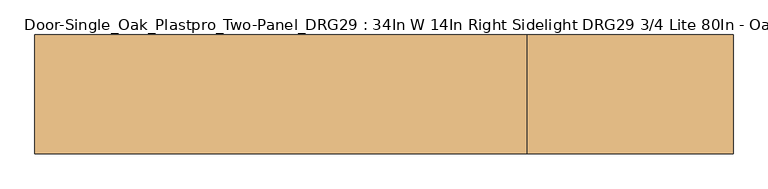
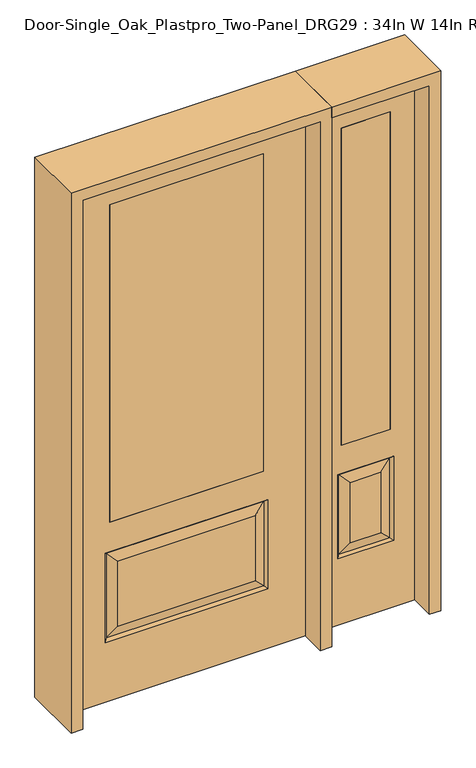
"""IFC4 building model written with IfcOpenShell, lengths in millimetres: door geometry, Door-Single_Oak_Plastpro_Two-Panel_DRG29 : 34In W 14In Right Sidelight DRG29 3/4 Lite 80In - Oak."""

from ifc_helpers import new_model, si_unit, frame, origin, place, context, project, spatial, polyline, outline, extrude, faceted_brep, source, transform, mapped, element, save


def door_single_oak_plastpro_two_panel_drg29_34in_w_14in_right_edbfce94(model_context):
    return source(origin(), model_context, "Body", "SolidModel", [
        extrude(outline(polyline([(-279.4, -20.6375), (-279.4, 20.6375), (279.4, 20.6375), (279.4, -20.6375), (-279.4, -20.6375)])), frame((0.0, 0.0, 685.8), z_axis=(0.0, 0.0, 1.0), x_axis=(1.0, 0.0, 0.0)), (0.0, 0.0, 1.0), 1219.2),
        faceted_brep([(-249.1224548, -20.6375, 274.7525452), (249.1224548, -20.6375, 274.7525452), (249.1224548, -20.6375, 525.3474548), (-249.1224548, -20.6375, 525.3474548), (431.8, -20.6375, 2032.0), (-431.8, -20.6375, 2032.0), (-431.8, -20.6375, 0.0), (431.8, -20.6375, 0.0), (295.1599548, -20.6375, 228.7150452), (-295.1599548, -20.6375, 228.7150452), (-295.1599548, -20.6375, 571.3849548), (295.1599548, -20.6375, 571.3849548), (-279.4, -20.6375, 1905.0), (279.4, -20.6375, 1905.0), (279.4, -20.6375, 685.8), (-279.4, -20.6375, 685.8), (-279.4, 20.6375, 1905.0), (-279.4, 20.6375, 685.8), (279.4, 20.6375, 685.8), (249.1224548, 20.6375, 274.7525452), (-249.1224548, 20.6375, 274.7525452), (-249.1224548, 20.6375, 525.3474548), (249.1224548, 20.6375, 525.3474548), (-431.8, 20.6375, 2032.0), (431.8, 20.6375, 2032.0), (431.8, 20.6375, 0.0), (-431.8, 20.6375, 0.0), (-295.1599548, 20.6375, 228.7150452), (295.1599548, 20.6375, 228.7150452), (295.1599548, 20.6375, 571.3849548), (-295.1599548, 20.6375, 571.3849548), (279.4, 20.6375, 1905.0), (286.1796986, -11.6572439, 237.6953014), (-286.1796986, -11.6572439, 237.6953014), (-286.1796986, -11.6572439, 562.4046986), (286.1796986, -11.6572439, 562.4046986), (286.1796986, 11.6572439, 237.6953014), (-286.1796986, 11.6572439, 237.6953014), (-286.1796986, 11.6572439, 562.4046986), (286.1796986, 11.6572439, 562.4046986)], [[[0, 1, 2, 3]], [[4, 5, 6, 7], [8, 9, 10, 11], [12, 13, 14, 15]], [[16, 12, 15, 17]], [[17, 15, 14, 18]], [[19, 20, 21, 22]], [[23, 24, 25, 26], [27, 28, 29, 30], [31, 16, 17, 18]], [[13, 31, 18, 14]], [[6, 26, 25, 7]], [[5, 23, 26, 6]], [[24, 4, 7, 25]], [[32, 33, 9, 8]], [[9, 33, 34, 10]], [[10, 34, 35, 11]], [[32, 8, 11, 35]], [[33, 32, 1, 0]], [[1, 32, 35, 2]], [[34, 3, 2, 35]], [[33, 0, 3, 34]], [[36, 37, 20, 19]], [[20, 37, 38, 21]], [[21, 38, 39, 22]], [[36, 19, 22, 39]], [[37, 36, 28, 27]], [[28, 36, 39, 29]], [[38, 30, 29, 39]], [[37, 27, 30, 38]], [[12, 16, 31, 13]], [[5, 4, 24, 23]]]),
        extrude(outline(polyline([(739.775, -20.6375), (561.975, -20.6375), (561.975, 20.6375), (739.775, 20.6375), (739.775, -20.6375)])), frame((0.0, 0.0, 685.8), z_axis=(0.0, 0.0, 1.0), x_axis=(1.0, 0.0, 0.0)), (0.0, 0.0, 1.0), 1219.2),
        faceted_brep([(739.775, -20.6375, 1905.0), (561.975, -20.6375, 1905.0), (561.975, 20.6375, 1905.0), (739.775, 20.6375, 1905.0), (706.3224548, -20.6375, 531.6974548), (595.4275452, -20.6375, 531.6974548), (595.4275452, -20.6375, 300.1525452), (706.3224548, -20.6375, 300.1525452), (473.075, -20.6375, 2032.0), (473.075, -20.6375, 0.0), (828.675, -20.6375, 0.0), (828.675, -20.6375, 2032.0), (739.775, -20.6375, 685.8), (561.975, -20.6375, 685.8), (752.3599548, -20.6375, 254.1150452), (549.3900452, -20.6375, 254.1150452), (549.3900452, -20.6375, 577.7349548), (752.3599548, -20.6375, 577.7349548), (743.3796986, 11.6572439, 568.7546986), (752.3599548, 20.6375, 577.7349548), (752.3599548, 20.6375, 254.1150452), (743.3796986, 11.6572439, 263.0953014), (558.3703014, 11.6572439, 568.7546986), (549.3900452, 20.6375, 577.7349548), (706.3224548, 20.6375, 300.1525452), (706.3224548, 20.6375, 531.6974548), (739.775, 20.6375, 685.8), (561.975, 20.6375, 685.8), (558.3703014, -11.6572439, 263.0953014), (743.3796986, -11.6572439, 263.0953014), (558.3703014, -11.6572439, 568.7546986), (743.3796986, -11.6572439, 568.7546986), (473.075, 20.6375, 2032.0), (828.675, 20.6375, 2032.0), (473.075, 20.6375, 0.0), (828.675, 20.6375, 0.0), (549.3900452, 20.6375, 254.1150452), (595.4275452, 20.6375, 300.1525452), (595.4275452, 20.6375, 531.6974548), (558.3703014, 11.6572439, 263.0953014)], [[[0, 1, 2, 3]], [[4, 5, 6, 7]], [[8, 9, 10, 11], [0, 12, 13, 1], [14, 15, 16, 17]], [[18, 19, 20, 21]], [[18, 22, 23, 19]], [[21, 24, 25, 18]], [[26, 27, 13, 12]], [[7, 6, 28, 29]], [[6, 5, 30, 28]], [[29, 14, 17, 31]], [[32, 8, 11, 33]], [[34, 35, 10, 9]], [[32, 34, 9, 8]], [[11, 10, 35, 33]], [[33, 35, 34, 32], [19, 23, 36, 20], [2, 27, 26, 3]], [[24, 37, 38, 25]], [[20, 36, 39, 21]], [[36, 23, 22, 39]], [[25, 38, 22, 18]], [[39, 22, 38, 37]], [[21, 39, 37, 24]], [[3, 26, 12, 0]], [[1, 13, 27, 2]], [[31, 4, 7, 29]], [[31, 30, 5, 4]], [[17, 16, 30, 31]], [[28, 30, 16, 15]], [[29, 28, 15, 14]]]),
        extrude(outline(polyline([(2073.275, -473.075), (0.0, -473.075), (0.0, -431.8), (2032.0, -431.8), (2032.0, 431.8), (0.0, 431.8), (0.0, 473.075), (2073.275, 473.075), (2073.275, -473.075)])), frame((0.0, -114.3, 0.0), z_axis=(0.0, 1.0, 0.0), x_axis=(0.0, 0.0, 1.0)), (0.0, 0.0, 1.0), 228.6),
        extrude(outline(polyline([(0.0, 828.675), (0.0, 869.95), (2073.275, 869.95), (2073.275, 473.075), (2032.0, 473.075), (2032.0, 828.675), (0.0, 828.675)])), frame((0.0, -114.3, 0.0), z_axis=(0.0, 1.0, 0.0), x_axis=(0.0, 0.0, 1.0)), (0.0, 0.0, 1.0), 228.6),
    ])


if __name__ == "__main__":
    model = new_model("IFC4")
    model_context = context("Model", 3, world=origin())
    ifc_project = project(units=[si_unit("LENGTHUNIT", "METRE", prefix="MILLI")], contexts=[model_context])
    site = spatial("IfcSite", under=ifc_project)
    building = spatial("IfcBuilding", under=site)
    placement = place(None, origin())
    door_single_oak_plastpro_two_panel_drg29_34in_w_14in_right_shape = door_single_oak_plastpro_two_panel_drg29_34in_w_14in_right_edbfce94(model_context)
    element("IfcDoor", 1, ObjectType="Door-Single_Oak_Plastpro_Two-Panel_DRG29 : 34In W 14In Right Sidelight DRG29 3/4 Lite 80In - Oak", at=placement, inside=building, context=model_context, shape_type="MappedRepresentation", body=[
        mapped(door_single_oak_plastpro_two_panel_drg29_34in_w_14in_right_shape, transform((0.0, 0.0, 0.0), x_axis=(1.0, 0.0, 0.0), y_axis=(0.0, 1.0, 0.0), z_axis=(0.0, 0.0, 1.0))),
    ])
    save(model, "model.ifc")
